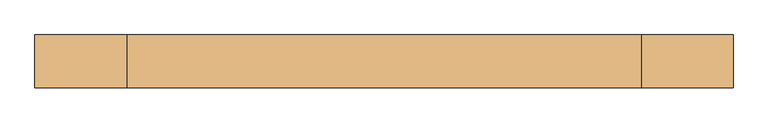
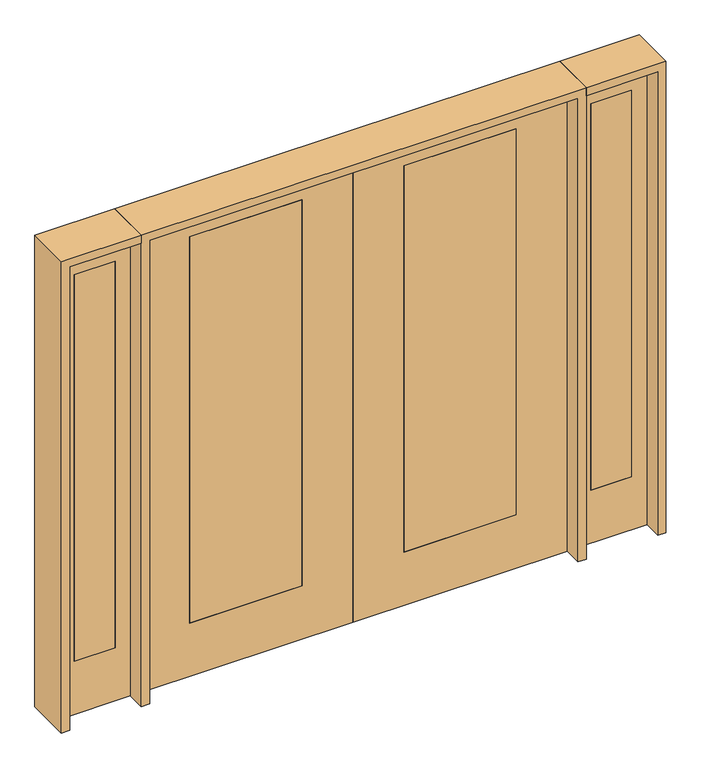
"""IFC4 building model written with IfcOpenShell, lengths in millimetres: door geometry."""

from ifc_helpers import new_model, si_unit, frame, origin, place, context, project, spatial, polyline, outline, extrude, source, transform, mapped, element, save


def door_1f2b2e2d(model_context):
    return source(origin(), model_context, "Body", "SweptSolid", [
        extrude(outline(polyline([(1387.475, 20.6375), (1387.475, -20.6375), (1184.275, -20.6375), (1184.275, 20.6375), (1387.475, 20.6375)])), frame((0.0, 0.0, 279.4), z_axis=(0.0, 0.0, 1.0), x_axis=(1.0, 0.0, 0.0)), (0.0, 0.0, 1.0), 2032.0),
        extrude(outline(polyline([(0.0, 1108.075), (0.0, 1463.675), (2438.4, 1463.675), (2438.4, 1108.075), (0.0, 1108.075)]), holes=[polyline([(2311.4, 1387.475), (279.4, 1387.475), (279.4, 1184.275), (2311.4, 1184.275), (2311.4, 1387.475)])]), frame((0.0, -20.6375, 0.0), z_axis=(0.0, 1.0, 0.0), x_axis=(0.0, 0.0, 1.0)), (0.0, 0.0, 1.0), 41.275),
        extrude(outline(polyline([(-1184.275, 20.6375), (-1184.275, -20.6375), (-1387.475, -20.6375), (-1387.475, 20.6375), (-1184.275, 20.6375)])), frame((0.0, 0.0, 279.4), z_axis=(0.0, 0.0, 1.0), x_axis=(1.0, 0.0, 0.0)), (0.0, 0.0, 1.0), 2032.0),
        extrude(outline(polyline([(0.0, -1463.675), (0.0, -1108.075), (2438.4, -1108.075), (2438.4, -1463.675), (0.0, -1463.675)]), holes=[polyline([(2311.4, -1184.275), (279.4, -1184.275), (279.4, -1387.475), (2311.4, -1387.475), (2311.4, -1184.275)])]), frame((0.0, -20.6375, 0.0), z_axis=(0.0, 1.0, 0.0), x_axis=(0.0, 0.0, 1.0)), (0.0, 0.0, 1.0), 41.275),
        extrude(outline(polyline([(2438.4, 1066.8), (2438.4, 0.0), (0.0, 0.0), (0.0, 1066.8), (2438.4, 1066.8)]), holes=[polyline([(279.4, 812.8), (279.4, 254.0), (2311.4, 254.0), (2311.4, 812.8), (279.4, 812.8)])]), frame((0.0, -20.6375, 0.0), z_axis=(0.0, 1.0, 0.0), x_axis=(0.0, 0.0, 1.0)), (0.0, 0.0, 1.0), 41.275),
        extrude(outline(polyline([(254.0, 20.6375), (812.8, 20.6375), (812.8, -20.6375), (254.0, -20.6375), (254.0, 20.6375)])), frame((0.0, 0.0, 279.4), z_axis=(0.0, 0.0, 1.0), x_axis=(1.0, 0.0, 0.0)), (0.0, 0.0, 1.0), 2032.0),
        extrude(outline(polyline([(2438.4, -1066.8), (0.0, -1066.8), (0.0, 0.0), (2438.4, 0.0), (2438.4, -1066.8)]), holes=[polyline([(279.4, -812.8), (2311.4, -812.8), (2311.4, -254.0), (279.4, -254.0), (279.4, -812.8)])]), frame((0.0, -20.6375, 0.0), z_axis=(0.0, 1.0, 0.0), x_axis=(0.0, 0.0, 1.0)), (0.0, 0.0, 1.0), 41.275),
        extrude(outline(polyline([(-254.0, 20.6375), (-254.0, -20.6375), (-812.8, -20.6375), (-812.8, 20.6375), (-254.0, 20.6375)])), frame((0.0, 0.0, 279.4), z_axis=(0.0, 0.0, 1.0), x_axis=(1.0, 0.0, 0.0)), (0.0, 0.0, 1.0), 2032.0),
        extrude(outline(polyline([(2479.675, -1108.075), (2479.675, -1504.95), (0.0, -1504.95), (0.0, -1463.675), (2438.4, -1463.675), (2438.4, -1108.075), (2479.675, -1108.075)])), frame((0.0, -114.3, 0.0), z_axis=(0.0, 1.0, 0.0), x_axis=(0.0, 0.0, 1.0)), (0.0, 0.0, 1.0), 228.6),
        extrude(outline(polyline([(2479.675, -1108.075), (0.0, -1108.075), (0.0, -1066.8), (2438.4, -1066.8), (2438.4, 1066.8), (0.0, 1066.8), (0.0, 1108.075), (2479.675, 1108.075), (2479.675, -1108.075)])), frame((0.0, -114.3, 0.0), z_axis=(0.0, 1.0, 0.0), x_axis=(0.0, 0.0, 1.0)), (0.0, 0.0, 1.0), 228.6),
        extrude(outline(polyline([(0.0, 1504.95), (2479.675, 1504.95), (2479.675, 1108.075), (2438.4, 1108.075), (2438.4, 1463.675), (0.0, 1463.675), (0.0, 1504.95)])), frame((0.0, -114.3, 0.0), z_axis=(0.0, 1.0, 0.0), x_axis=(0.0, 0.0, 1.0)), (0.0, 0.0, 1.0), 228.6),
    ])


if __name__ == "__main__":
    model = new_model("IFC4")
    model_context = context("Model", 3, world=origin())
    ifc_project = project(units=[si_unit("LENGTHUNIT", "METRE", prefix="MILLI")], contexts=[model_context])
    site = spatial("IfcSite", under=ifc_project)
    building = spatial("IfcBuilding", under=site)
    placement = place(None, origin())
    door_shape = door_1f2b2e2d(model_context)
    element("IfcDoor", 1, at=placement, inside=building, context=model_context, shape_type="MappedRepresentation", body=[
        mapped(door_shape, transform((0.0, 0.0, 0.0), x_axis=(1.0, 0.0, 0.0), y_axis=(0.0, 1.0, 0.0), z_axis=(0.0, 0.0, 1.0))),
    ])
    save(model, "model.ifc")
